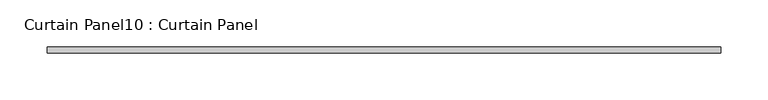
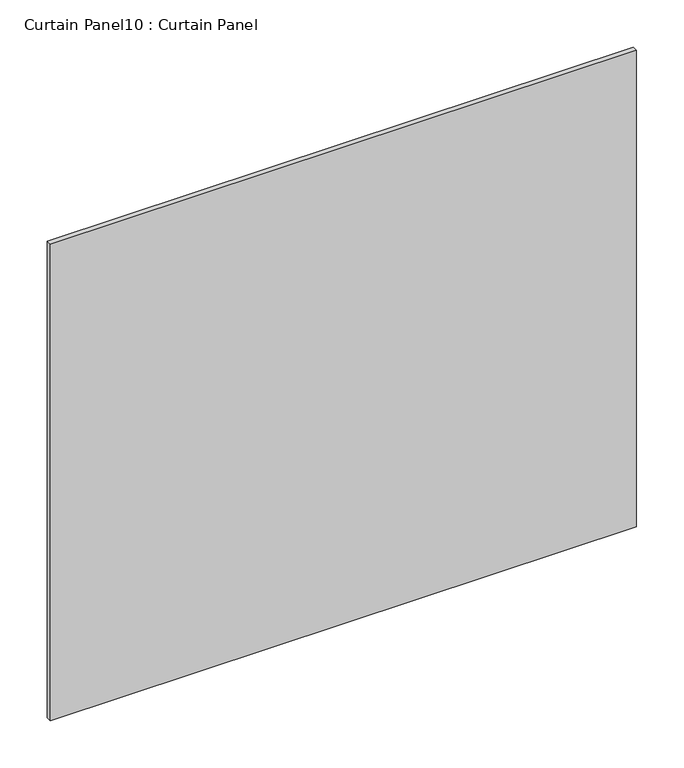
"""IFC4 building model written with IfcOpenShell, lengths in millimetres: plate geometry, Curtain Panel10 : Curtain Panel."""

import ifcopenshell
import ifcopenshell.guid

model = None  # the IFC model being written
_history = None  # IfcOwnerHistory: only IFC2X3 demands one
_inside = {}  # id of a spatial element -> (the spatial element, [elements in it])
_under = {}  # id of a project, library or spatial element -> (it, [spatial elements below it])
_declared = {}  # id of a project -> (the project, [libraries it declares])
_typed = {}  # id of a type object -> (the type object, [elements of that type])
_made_of = {}  # id of a material, layer set ... -> (it, [elements and type objects made of it])


def new_model(schema):
    """Start an empty IFC model of exactly this schema.

    Asked for "IFC4X3", IfcOpenShell would pick the latest addendum, in which some entities
    have other attributes; the version numbers below select the first issue.
    IFC2X3 requires an IfcOwnerHistory on every rooted entity: one is made here for all.
    """
    global model, _history
    if schema == "IFC4X3":
        model = ifcopenshell.file(schema_version=(4, 3, 0, 0))
    else:
        model = ifcopenshell.file(schema=schema)
    _inside.clear()
    _under.clear()
    _declared.clear()
    _typed.clear()
    _made_of.clear()
    _history = None
    if model.schema == "IFC2X3":
        org = make("IfcOrganization", Name="unknown")
        user = make(
            "IfcPersonAndOrganization",
            ThePerson=make("IfcPerson", FamilyName="unknown"),
            TheOrganization=org,
        )
        app = make(
            "IfcApplication",
            ApplicationDeveloper=org,
            Version="unknown",
            ApplicationFullName="unknown",
            ApplicationIdentifier="unknown",
        )
        _history = make(
            "IfcOwnerHistory",
            OwningUser=user,
            OwningApplication=app,
            ChangeAction="ADDED",
            CreationDate=0,
        )
    return model


def make(cls, **values):
    """One entity of the class cls with the attributes given. An attribute that is None is left unset."""
    return model.create_entity(
        cls, **{name: value for name, value in values.items() if value is not None}
    )


def rooted(cls, **values):
    """An entity with a GlobalId (a new one), such as an element, a storey or a relation."""
    return make(cls, GlobalId=ifcopenshell.guid.new(), OwnerHistory=_history, **values)


def si_unit(unit_type, name, prefix=None):
    """IfcSIUnit, for example si_unit("LENGTHUNIT", "METRE", prefix="MILLI")."""
    return make("IfcSIUnit", UnitType=unit_type, Prefix=prefix, Name=name)


def assignment(units):
    """IfcUnitAssignment: the units of a project."""
    return None if units is None else make("IfcUnitAssignment", Units=units)


def point(xyz):
    """IfcCartesianPoint."""
    return None if xyz is None else make("IfcCartesianPoint", Coordinates=xyz)


def direction(xyz):
    """IfcDirection."""
    return None if xyz is None else make("IfcDirection", DirectionRatios=xyz)


def frame(location, z_axis=None, x_axis=None):
    """IfcAxis2Placement3D, a coordinate frame: its origin and axes. An axis left out is left unset."""
    return make(
        "IfcAxis2Placement3D",
        Location=point(location),
        Axis=direction(z_axis),
        RefDirection=direction(x_axis),
    )


def origin():
    """The frame at (0, 0, 0) with its axes left unset."""
    return frame((0.0, 0.0, 0.0))


def place(relative_to, where):
    """IfcLocalPlacement: puts the frame where relative to a parent placement (None: the world)."""
    return make(
        "IfcLocalPlacement", PlacementRelTo=relative_to, RelativePlacement=where
    )


def context(
    kind, dimensions, precision=None, world=None, true_north=None, identifier=None
):
    """IfcGeometricRepresentationContext, for example the 3D "Model" context."""
    return make(
        "IfcGeometricRepresentationContext",
        ContextIdentifier=identifier,
        ContextType=kind,
        CoordinateSpaceDimension=dimensions,
        Precision=precision,
        WorldCoordinateSystem=world,
        TrueNorth=true_north,
    )


def project(units=None, contexts=None):
    """IfcProject with its units and contexts."""
    return rooted(
        "IfcProject",
        Name="project",
        RepresentationContexts=contexts,
        UnitsInContext=assignment(units),
    )


def spatial(cls, under=None, at=None, **own):
    """A site, building, storey or space (cls), placed at a placement, below another one or the project."""
    s = rooted(cls, ObjectPlacement=at, **own)
    if under is not None:
        _under.setdefault(under.id(), (under, []))[1].append(s)
    return s


def polyline(points):
    """IfcPolyline through the points."""
    return make("IfcPolyline", Points=[point(p) for p in points])


def outline(outer, holes=None, kind="AREA"):
    """IfcArbitraryClosedProfileDef: a profile drawn as a closed curve; with holes, ...WithVoids."""
    if holes is None:
        return make("IfcArbitraryClosedProfileDef", ProfileType=kind, OuterCurve=outer)
    return make(
        "IfcArbitraryProfileDefWithVoids",
        ProfileType=kind,
        OuterCurve=outer,
        InnerCurves=holes,
    )


def extrude(swept, where, along, depth):
    """IfcExtrudedAreaSolid: the profile swept, set in the frame where, extruded along a direction by depth."""
    return make(
        "IfcExtrudedAreaSolid",
        SweptArea=swept,
        Position=where,
        ExtrudedDirection=direction(along),
        Depth=depth,
    )


def shape(context_of_items, identifier, shape_type, items):
    """IfcShapeRepresentation: the items that make up one representation, for example the "Body"."""
    return make(
        "IfcShapeRepresentation",
        ContextOfItems=context_of_items,
        RepresentationIdentifier=identifier,
        RepresentationType=shape_type,
        Items=items,
    )


def source(mapping_origin, context_of_items, identifier, shape_type, items):
    """IfcRepresentationMap: a shape defined once, which mapped items show again and again."""
    return make(
        "IfcRepresentationMap",
        MappingOrigin=mapping_origin,
        MappedRepresentation=shape(context_of_items, identifier, shape_type, items),
    )


def transform(
    local_origin,
    x_axis=None,
    y_axis=None,
    z_axis=None,
    scale=None,
    scale2=None,
    scale3=None,
    uniform=True,
):
    """IfcCartesianTransformationOperator3D, or its non-uniform kind. x_axis, y_axis, z_axis: its Axis1, 2, 3."""
    if uniform:
        return make(
            "IfcCartesianTransformationOperator3D",
            Axis1=direction(x_axis),
            Axis2=direction(y_axis),
            LocalOrigin=point(local_origin),
            Scale=scale,
            Axis3=direction(z_axis),
        )
    return make(
        "IfcCartesianTransformationOperator3DnonUniform",
        Axis1=direction(x_axis),
        Axis2=direction(y_axis),
        LocalOrigin=point(local_origin),
        Scale=scale,
        Axis3=direction(z_axis),
        Scale2=scale2,
        Scale3=scale3,
    )


def mapped(mapping_source, mapping_target):
    """IfcMappedItem: shows the shape of a source again, moved by a transform."""
    return make(
        "IfcMappedItem", MappingSource=mapping_source, MappingTarget=mapping_target
    )


def made_of(thing, what):
    """Note that an element or type object is made of a material, layer set ...; save() writes the relation."""
    if what is not None:
        _made_of.setdefault(what.id(), (what, []))[1].append(thing)
    return thing


def element(
    cls,
    number,
    at=None,
    inside=None,
    cuts=None,
    type_object=None,
    material=None,
    context=None,
    identifier="Body",
    shape_type=None,
    held_by="IfcProductDefinitionShape",
    body=None,
    shapes=None,
    **own,
):
    """One element of the class cls, such as IfcWall. Its Tag is "e" and its number.

    at: its placement. inside: the storey or other place that contains it. cuts: it is an
    opening in that element (IfcRelVoidsElement). A single representation is given by context,
    identifier, shape_type and body (its items); several are given by shapes. held_by: the class
    of the entity that holds the representations. save() writes the other relations.
    """
    e = rooted(cls, Tag="e%d" % number, ObjectPlacement=at, **own)
    if body is not None:
        shapes = [shape(context, identifier, shape_type, body)]
    if shapes is not None:
        e.Representation = make(held_by, Representations=shapes)
    if inside is not None:
        _inside.setdefault(inside.id(), (inside, []))[1].append(e)
    if cuts is not None:
        rooted(
            "IfcRelVoidsElement", RelatingBuildingElement=cuts, RelatedOpeningElement=e
        )
    if type_object is not None:
        _typed.setdefault(type_object.id(), (type_object, []))[1].append(e)
    return made_of(e, material)


def aggregate(whole, parts):
    """IfcRelAggregates: a whole, such as a stair, and the parts it consists of."""
    return rooted("IfcRelAggregates", RelatingObject=whole, RelatedObjects=parts)


def save(model, path):
    """Write the relations noted so far, then the file.

    IfcRelAggregates (storeys below a building ...), IfcRelContainedInSpatialStructure (elements
    in a storey), IfcRelDefinesByType, IfcRelAssociatesMaterial and IfcRelDeclares: one each for
    every whole, place, type object, material and project.
    """
    for whole, parts in _under.values():
        aggregate(whole, parts)
    for where, things in _inside.values():
        rooted(
            "IfcRelContainedInSpatialStructure",
            RelatedElements=things,
            RelatingStructure=where,
        )
    for kind, things in _typed.values():
        rooted("IfcRelDefinesByType", RelatedObjects=things, RelatingType=kind)
    for what, things in _made_of.values():
        rooted("IfcRelAssociatesMaterial", RelatedObjects=things, RelatingMaterial=what)
    for by, libraries in _declared.values():
        rooted("IfcRelDeclares", RelatingContext=by, RelatedDefinitions=libraries)
    model.write(path)


def curtain_panel10_curtain_panel_10a0fa60(model_context):
    return source(origin(), model_context, "Body", "SweptSolid", [
        extrude(outline(polyline([(5437.433767, 3568.3617926), (4722.2292464, 3568.3617926), (4722.2292464, 3574.7117926), (5437.433767, 3574.7117926), (5437.433767, 3568.3617926)])), frame((0.0, 0.0, 39.798625), z_axis=(0.0, 0.0, 1.0), x_axis=(1.0, 0.0, 0.0)), (0.0, 0.0, 1.0), 614.6470692),
    ])


if __name__ == "__main__":
    model = new_model("IFC4")
    model_context = context("Model", 3, world=origin())
    ifc_project = project(units=[si_unit("LENGTHUNIT", "METRE", prefix="MILLI")], contexts=[model_context])
    site = spatial("IfcSite", under=ifc_project)
    building = spatial("IfcBuilding", under=site)
    placement = place(None, origin())
    curtain_panel10_curtain_panel_shape = curtain_panel10_curtain_panel_10a0fa60(model_context)
    element("IfcPlate", 1, ObjectType="Curtain Panel10 : Curtain Panel", at=placement, inside=building, context=model_context, shape_type="MappedRepresentation", body=[
        mapped(curtain_panel10_curtain_panel_shape, transform((0.0, 0.0, 0.0), x_axis=(1.0, 0.0, 0.0), y_axis=(0.0, 1.0, 0.0), z_axis=(0.0, 0.0, 1.0))),
    ])
    save(model, "model.ifc")
